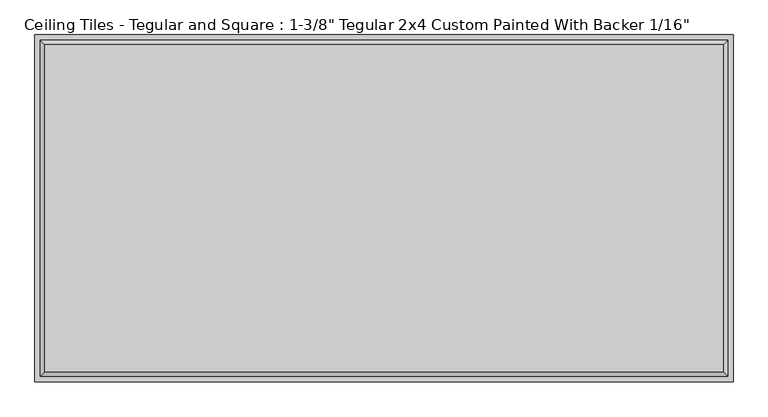
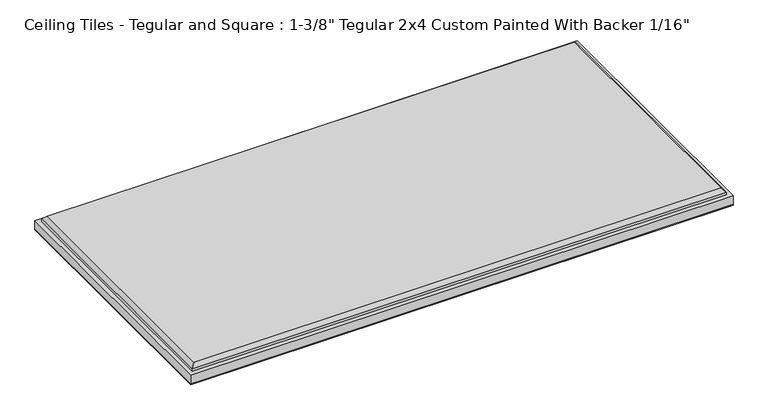
"""IFC4 building model written with IfcOpenShell, lengths in millimetres: proxy geometry."""

from ifc_helpers import new_model, si_unit, origin, origin_with_axes, place, context, project, spatial, polyline, outline, extrude, faceted_brep, source, transform, mapped, element, save


def proxy_9be7644c(model_context):
    return source(origin(), model_context, "Body", "SolidModel", [
        extrude(outline(polyline([(606.425, 301.625), (606.425, -301.625), (-606.425, -301.625), (-606.425, 301.625), (606.425, 301.625)])), origin_with_axes(), (0.0, 0.0, 1.0), 1.5875),
        faceted_brep([(588.899, 284.099, 36.5125), (-588.899, 284.099, 36.5125), (-588.899, -284.099, 36.5125), (588.899, -284.099, 36.5125), (-606.425, 301.625, 1.5875), (606.425, 301.625, 1.5875), (606.425, -301.625, 1.5875), (-606.425, -301.625, 1.5875), (-606.425, -301.625, 22.225), (-606.425, 301.625, 22.225), (606.425, -301.625, 22.225), (606.425, 301.625, 22.225), (596.9, 292.1, 28.5115), (-596.9, 292.1, 28.5115), (-596.9, -292.1, 28.5115), (596.9, -292.1, 28.5115), (596.9, 292.1, 22.225), (-596.9, 292.1, 22.225), (-596.9, -292.1, 22.225), (596.9, -292.1, 22.225)], [[[0, 1, 2, 3]], [[4, 5, 6, 7]], [[4, 7, 8, 9]], [[7, 6, 10, 8]], [[6, 5, 11, 10]], [[5, 4, 9, 11]], [[12, 13, 1, 0]], [[1, 13, 14, 2]], [[2, 14, 15, 3]], [[12, 0, 3, 15]], [[16, 17, 13, 12]], [[13, 17, 18, 14]], [[14, 18, 19, 15]], [[16, 12, 15, 19]], [[9, 8, 10, 11], [17, 16, 19, 18]]]),
    ])


if __name__ == "__main__":
    model = new_model("IFC4")
    model_context = context("Model", 3, world=origin())
    ifc_project = project(units=[si_unit("LENGTHUNIT", "METRE", prefix="MILLI")], contexts=[model_context])
    site = spatial("IfcSite", under=ifc_project)
    building = spatial("IfcBuilding", under=site)
    placement = place(None, origin())
    proxy_shape = proxy_9be7644c(model_context)
    element("IfcBuildingElementProxy", 1, Name="Ceiling Tiles - Tegular and Square : 1-3/8\" Tegular 2x4 Custom Painted With Backer 1/16\"", ObjectType="Ceiling Tiles - Tegular and Square : 1-3/8\" Tegular 2x4 Custom Painted With Backer 1/16\"", at=placement, inside=building, context=model_context, shape_type="MappedRepresentation", body=[
        mapped(proxy_shape, transform((0.0, 0.0, 0.0), x_axis=(1.0, 0.0, 0.0), y_axis=(0.0, 1.0, 0.0), z_axis=(0.0, 0.0, 1.0))),
    ])
    save(model, "model.ifc")
